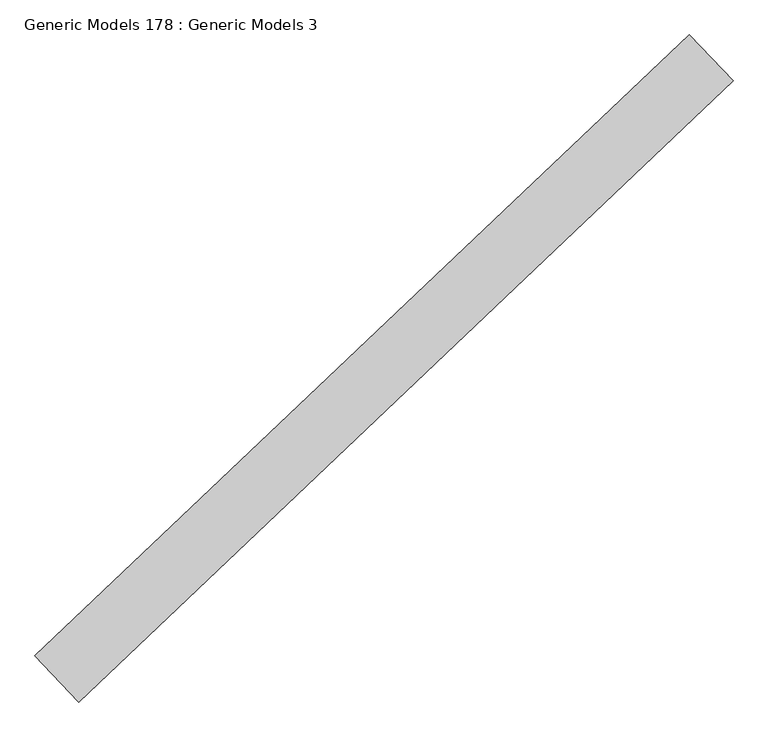
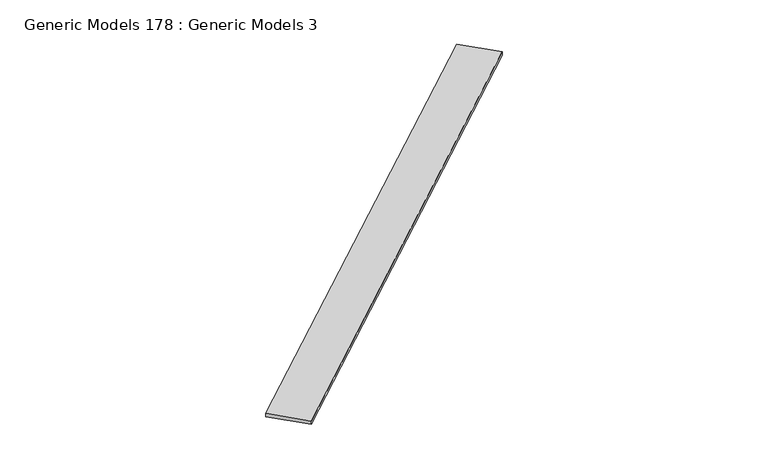
"""IFC4 building model written with IfcOpenShell, lengths in millimetres: proxy geometry, Generic Models 178 : Generic Models 3."""

from ifc_helpers import new_model, si_unit, frame, origin, place, context, project, spatial, polyline, outline, extrude, source, transform, mapped, element, save


def generic_models_178_generic_models_3_26339030(model_context):
    return source(origin(), model_context, "Body", "SweptSolid", [
        extrude(outline(polyline([(111665.2353123, 51338.8751029), (111884.880653, 51107.4172083), (108598.4088559, 47988.6719234), (108378.7635152, 48220.129818), (111665.2353123, 51338.8751029)])), frame((0.0, 0.0, 18652.1733985), z_axis=(0.0, 0.0, 1.0), x_axis=(1.0, 0.0, 0.0)), (0.0, 0.0, 1.0), 25.4),
    ])


if __name__ == "__main__":
    model = new_model("IFC4")
    model_context = context("Model", 3, world=origin())
    ifc_project = project(units=[si_unit("LENGTHUNIT", "METRE", prefix="MILLI")], contexts=[model_context])
    site = spatial("IfcSite", under=ifc_project)
    building = spatial("IfcBuilding", under=site)
    placement = place(None, origin())
    generic_models_178_generic_models_3_shape = generic_models_178_generic_models_3_26339030(model_context)
    element("IfcBuildingElementProxy", 1, Name="Generic Models 178 : Generic Models 3", ObjectType="Generic Models 178 : Generic Models 3", at=placement, inside=building, context=model_context, shape_type="MappedRepresentation", body=[
        mapped(generic_models_178_generic_models_3_shape, transform((0.0, 0.0, 0.0), x_axis=(1.0, 0.0, 0.0), y_axis=(0.0, 1.0, 0.0), z_axis=(0.0, 0.0, 1.0))),
    ])
    save(model, "model.ifc")
